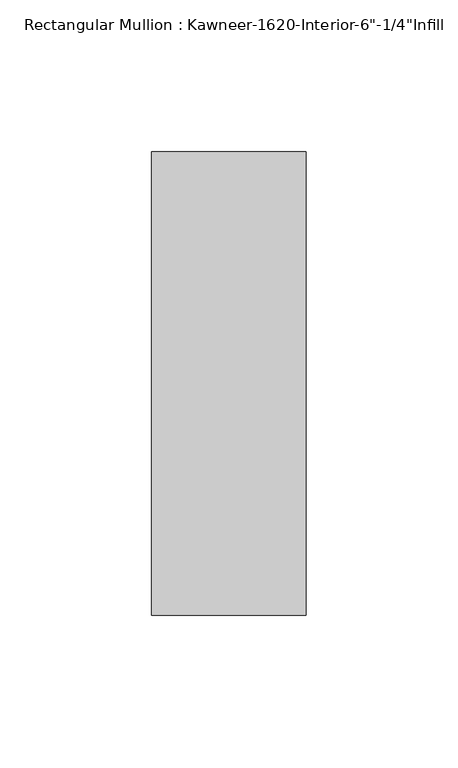
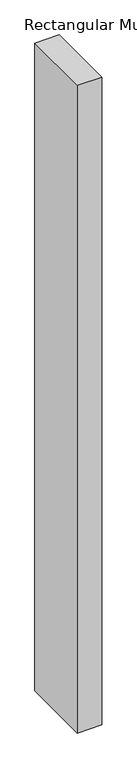
"""IFC4 building model written with IfcOpenShell, lengths in millimetres: member geometry."""

from ifc_helpers import new_model, si_unit, frame, origin, place, context, project, spatial, polyline, outline, extrude, source, transform, mapped, element, save


def member_a18d9d8c(model_context):
    return source(origin(), model_context, "Body", "SweptSolid", [
        extrude(outline(polyline([(25.4, -123.825), (-25.4, -123.825), (-25.4, 28.575), (25.4, 28.575), (25.4, -123.825)])), frame((0.0, 0.0, -1422.4), z_axis=(0.0, 0.0, 1.0), x_axis=(1.0, 0.0, 0.0)), (0.0, 0.0, 1.0), 1422.4),
    ])


if __name__ == "__main__":
    model = new_model("IFC4")
    model_context = context("Model", 3, world=origin())
    ifc_project = project(units=[si_unit("LENGTHUNIT", "METRE", prefix="MILLI")], contexts=[model_context])
    site = spatial("IfcSite", under=ifc_project)
    building = spatial("IfcBuilding", under=site)
    placement = place(None, origin())
    member_shape = member_a18d9d8c(model_context)
    element("IfcMember", 1, ObjectType="Rectangular Mullion : Kawneer-1620-Interior-6\"-1/4\"Infill", at=placement, inside=building, context=model_context, shape_type="MappedRepresentation", body=[
        mapped(member_shape, transform((0.0, 0.0, 0.0), x_axis=(1.0, 0.0, 0.0), y_axis=(0.0, 1.0, 0.0), z_axis=(0.0, 0.0, 1.0))),
    ])
    save(model, "model.ifc")
